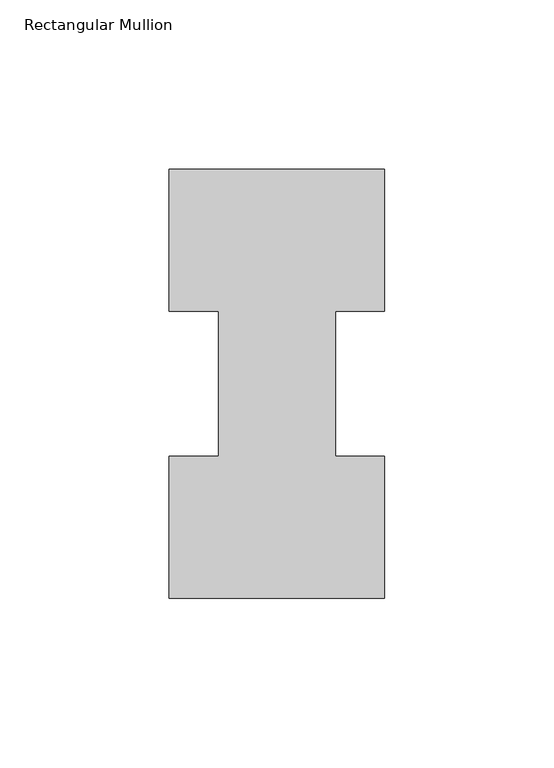
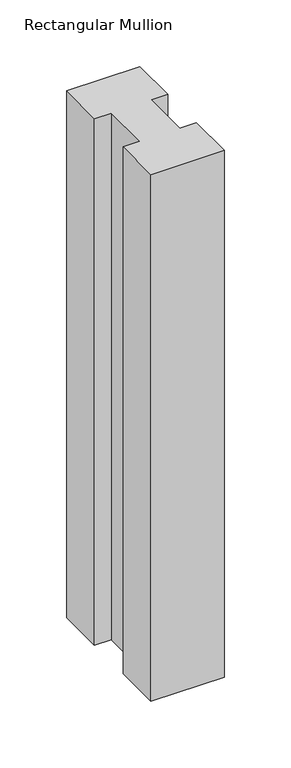
"""IFC4 building model written with IfcOpenShell, lengths in millimetres: member geometry, Rectangular Mullion."""

from ifc_helpers import new_model, si_unit, frame, origin, place, context, project, spatial, polyline, outline, extrude, source, transform, mapped, element, save


def rectangular_mullion_607961d0(model_context):
    return source(origin(), model_context, "Body", "SweptSolid", [
        extrude(outline(polyline([(-63.5, 0.26035), (-63.5, 42.0829753), (-49.0000192, 42.0829753), (-49.0000192, 84.93125), (-63.5, 84.93125), (-63.5, 126.75235), (0.0, 126.75235), (0.0, 84.93125), (-14.4999808, 84.93125), (-14.4999808, 42.1178757), (0.0, 42.1178757), (0.0, 0.26035), (-63.5, 0.26035)])), frame((0.0, 0.0, -482.6), z_axis=(0.0, 0.0, 1.0), x_axis=(1.0, 0.0, 0.0)), (0.0, 0.0, 1.0), 482.6),
    ])


if __name__ == "__main__":
    model = new_model("IFC4")
    model_context = context("Model", 3, world=origin())
    ifc_project = project(units=[si_unit("LENGTHUNIT", "METRE", prefix="MILLI")], contexts=[model_context])
    site = spatial("IfcSite", under=ifc_project)
    building = spatial("IfcBuilding", under=site)
    placement = place(None, origin())
    rectangular_mullion_shape = rectangular_mullion_607961d0(model_context)
    element("IfcMember", 1, ObjectType="Rectangular Mullion", at=placement, inside=building, context=model_context, shape_type="MappedRepresentation", body=[
        mapped(rectangular_mullion_shape, transform((0.0, 0.0, 0.0), x_axis=(1.0, 0.0, 0.0), y_axis=(0.0, 1.0, 0.0), z_axis=(0.0, 0.0, 1.0))),
    ])
    save(model, "model.ifc")
